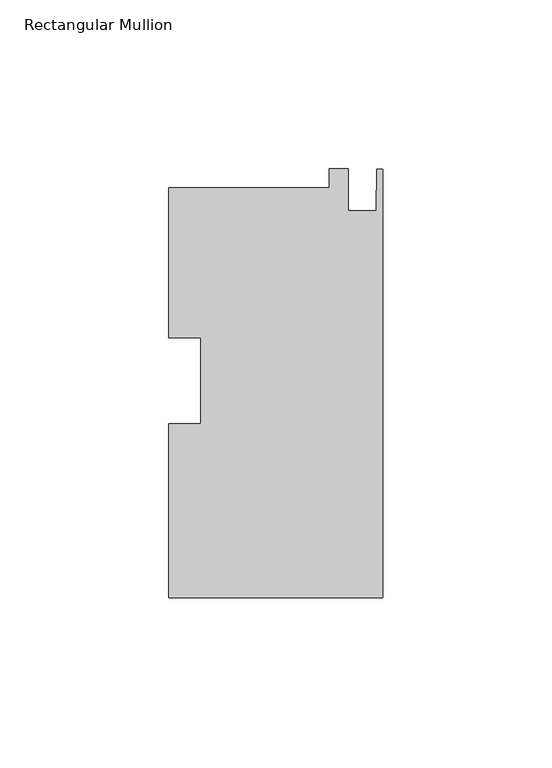
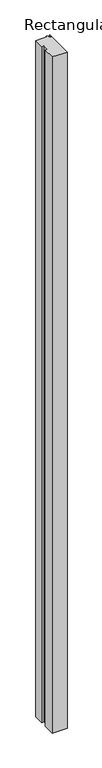
"""IFC4 building model written with IfcOpenShell, lengths in millimetres: member geometry, Rectangular Mullion."""

import ifcopenshell
import ifcopenshell.guid

model = None  # the IFC model being written
_history = None  # IfcOwnerHistory: only IFC2X3 demands one
_inside = {}  # id of a spatial element -> (the spatial element, [elements in it])
_under = {}  # id of a project, library or spatial element -> (it, [spatial elements below it])
_declared = {}  # id of a project -> (the project, [libraries it declares])
_typed = {}  # id of a type object -> (the type object, [elements of that type])
_made_of = {}  # id of a material, layer set ... -> (it, [elements and type objects made of it])


def new_model(schema):
    """Start an empty IFC model of exactly this schema.

    Asked for "IFC4X3", IfcOpenShell would pick the latest addendum, in which some entities
    have other attributes; the version numbers below select the first issue.
    IFC2X3 requires an IfcOwnerHistory on every rooted entity: one is made here for all.
    """
    global model, _history
    if schema == "IFC4X3":
        model = ifcopenshell.file(schema_version=(4, 3, 0, 0))
    else:
        model = ifcopenshell.file(schema=schema)
    _inside.clear()
    _under.clear()
    _declared.clear()
    _typed.clear()
    _made_of.clear()
    _history = None
    if model.schema == "IFC2X3":
        org = make("IfcOrganization", Name="unknown")
        user = make(
            "IfcPersonAndOrganization",
            ThePerson=make("IfcPerson", FamilyName="unknown"),
            TheOrganization=org,
        )
        app = make(
            "IfcApplication",
            ApplicationDeveloper=org,
            Version="unknown",
            ApplicationFullName="unknown",
            ApplicationIdentifier="unknown",
        )
        _history = make(
            "IfcOwnerHistory",
            OwningUser=user,
            OwningApplication=app,
            ChangeAction="ADDED",
            CreationDate=0,
        )
    return model


def make(cls, **values):
    """One entity of the class cls with the attributes given. An attribute that is None is left unset."""
    return model.create_entity(
        cls, **{name: value for name, value in values.items() if value is not None}
    )


def rooted(cls, **values):
    """An entity with a GlobalId (a new one), such as an element, a storey or a relation."""
    return make(cls, GlobalId=ifcopenshell.guid.new(), OwnerHistory=_history, **values)


def si_unit(unit_type, name, prefix=None):
    """IfcSIUnit, for example si_unit("LENGTHUNIT", "METRE", prefix="MILLI")."""
    return make("IfcSIUnit", UnitType=unit_type, Prefix=prefix, Name=name)


def assignment(units):
    """IfcUnitAssignment: the units of a project."""
    return None if units is None else make("IfcUnitAssignment", Units=units)


def point(xyz):
    """IfcCartesianPoint."""
    return None if xyz is None else make("IfcCartesianPoint", Coordinates=xyz)


def direction(xyz):
    """IfcDirection."""
    return None if xyz is None else make("IfcDirection", DirectionRatios=xyz)


def frame(location, z_axis=None, x_axis=None):
    """IfcAxis2Placement3D, a coordinate frame: its origin and axes. An axis left out is left unset."""
    return make(
        "IfcAxis2Placement3D",
        Location=point(location),
        Axis=direction(z_axis),
        RefDirection=direction(x_axis),
    )


def origin():
    """The frame at (0, 0, 0) with its axes left unset."""
    return frame((0.0, 0.0, 0.0))


def place(relative_to, where):
    """IfcLocalPlacement: puts the frame where relative to a parent placement (None: the world)."""
    return make(
        "IfcLocalPlacement", PlacementRelTo=relative_to, RelativePlacement=where
    )


def context(
    kind, dimensions, precision=None, world=None, true_north=None, identifier=None
):
    """IfcGeometricRepresentationContext, for example the 3D "Model" context."""
    return make(
        "IfcGeometricRepresentationContext",
        ContextIdentifier=identifier,
        ContextType=kind,
        CoordinateSpaceDimension=dimensions,
        Precision=precision,
        WorldCoordinateSystem=world,
        TrueNorth=true_north,
    )


def project(units=None, contexts=None):
    """IfcProject with its units and contexts."""
    return rooted(
        "IfcProject",
        Name="project",
        RepresentationContexts=contexts,
        UnitsInContext=assignment(units),
    )


def spatial(cls, under=None, at=None, **own):
    """A site, building, storey or space (cls), placed at a placement, below another one or the project."""
    s = rooted(cls, ObjectPlacement=at, **own)
    if under is not None:
        _under.setdefault(under.id(), (under, []))[1].append(s)
    return s


def polyline(points):
    """IfcPolyline through the points."""
    return make("IfcPolyline", Points=[point(p) for p in points])


def outline(outer, holes=None, kind="AREA"):
    """IfcArbitraryClosedProfileDef: a profile drawn as a closed curve; with holes, ...WithVoids."""
    if holes is None:
        return make("IfcArbitraryClosedProfileDef", ProfileType=kind, OuterCurve=outer)
    return make(
        "IfcArbitraryProfileDefWithVoids",
        ProfileType=kind,
        OuterCurve=outer,
        InnerCurves=holes,
    )


def extrude(swept, where, along, depth):
    """IfcExtrudedAreaSolid: the profile swept, set in the frame where, extruded along a direction by depth."""
    return make(
        "IfcExtrudedAreaSolid",
        SweptArea=swept,
        Position=where,
        ExtrudedDirection=direction(along),
        Depth=depth,
    )


def shape(context_of_items, identifier, shape_type, items):
    """IfcShapeRepresentation: the items that make up one representation, for example the "Body"."""
    return make(
        "IfcShapeRepresentation",
        ContextOfItems=context_of_items,
        RepresentationIdentifier=identifier,
        RepresentationType=shape_type,
        Items=items,
    )


def source(mapping_origin, context_of_items, identifier, shape_type, items):
    """IfcRepresentationMap: a shape defined once, which mapped items show again and again."""
    return make(
        "IfcRepresentationMap",
        MappingOrigin=mapping_origin,
        MappedRepresentation=shape(context_of_items, identifier, shape_type, items),
    )


def transform(
    local_origin,
    x_axis=None,
    y_axis=None,
    z_axis=None,
    scale=None,
    scale2=None,
    scale3=None,
    uniform=True,
):
    """IfcCartesianTransformationOperator3D, or its non-uniform kind. x_axis, y_axis, z_axis: its Axis1, 2, 3."""
    if uniform:
        return make(
            "IfcCartesianTransformationOperator3D",
            Axis1=direction(x_axis),
            Axis2=direction(y_axis),
            LocalOrigin=point(local_origin),
            Scale=scale,
            Axis3=direction(z_axis),
        )
    return make(
        "IfcCartesianTransformationOperator3DnonUniform",
        Axis1=direction(x_axis),
        Axis2=direction(y_axis),
        LocalOrigin=point(local_origin),
        Scale=scale,
        Axis3=direction(z_axis),
        Scale2=scale2,
        Scale3=scale3,
    )


def mapped(mapping_source, mapping_target):
    """IfcMappedItem: shows the shape of a source again, moved by a transform."""
    return make(
        "IfcMappedItem", MappingSource=mapping_source, MappingTarget=mapping_target
    )


def made_of(thing, what):
    """Note that an element or type object is made of a material, layer set ...; save() writes the relation."""
    if what is not None:
        _made_of.setdefault(what.id(), (what, []))[1].append(thing)
    return thing


def element(
    cls,
    number,
    at=None,
    inside=None,
    cuts=None,
    type_object=None,
    material=None,
    context=None,
    identifier="Body",
    shape_type=None,
    held_by="IfcProductDefinitionShape",
    body=None,
    shapes=None,
    **own,
):
    """One element of the class cls, such as IfcWall. Its Tag is "e" and its number.

    at: its placement. inside: the storey or other place that contains it. cuts: it is an
    opening in that element (IfcRelVoidsElement). A single representation is given by context,
    identifier, shape_type and body (its items); several are given by shapes. held_by: the class
    of the entity that holds the representations. save() writes the other relations.
    """
    e = rooted(cls, Tag="e%d" % number, ObjectPlacement=at, **own)
    if body is not None:
        shapes = [shape(context, identifier, shape_type, body)]
    if shapes is not None:
        e.Representation = make(held_by, Representations=shapes)
    if inside is not None:
        _inside.setdefault(inside.id(), (inside, []))[1].append(e)
    if cuts is not None:
        rooted(
            "IfcRelVoidsElement", RelatingBuildingElement=cuts, RelatedOpeningElement=e
        )
    if type_object is not None:
        _typed.setdefault(type_object.id(), (type_object, []))[1].append(e)
    return made_of(e, material)


def aggregate(whole, parts):
    """IfcRelAggregates: a whole, such as a stair, and the parts it consists of."""
    return rooted("IfcRelAggregates", RelatingObject=whole, RelatedObjects=parts)


def save(model, path):
    """Write the relations noted so far, then the file.

    IfcRelAggregates (storeys below a building ...), IfcRelContainedInSpatialStructure (elements
    in a storey), IfcRelDefinesByType, IfcRelAssociatesMaterial and IfcRelDeclares: one each for
    every whole, place, type object, material and project.
    """
    for whole, parts in _under.values():
        aggregate(whole, parts)
    for where, things in _inside.values():
        rooted(
            "IfcRelContainedInSpatialStructure",
            RelatedElements=things,
            RelatingStructure=where,
        )
    for kind, things in _typed.values():
        rooted("IfcRelDefinesByType", RelatedObjects=things, RelatingType=kind)
    for what, things in _made_of.values():
        rooted("IfcRelAssociatesMaterial", RelatedObjects=things, RelatingMaterial=what)
    for by, libraries in _declared.values():
        rooted("IfcRelDeclares", RelatingContext=by, RelatedDefinitions=libraries)
    model.write(path)


def rectangular_mullion_1e76039f(model_context):
    return source(origin(), model_context, "Body", "SweptSolid", [
        extrude(outline(polyline([(-63.5, -64.34957), (-63.5, -12.8452775), (-53.975, -12.8452775), (-53.975, 12.6705892), (-63.5, 12.6705892), (-63.5, 57.08783), (-15.875, 57.08783), (-15.875, 62.7963394), (-10.3124, 62.7963394), (-10.3124, 50.30603), (-2.032, 50.30603), (-1.778, 62.65043), (0.0, 62.65043), (0.0, -64.34957), (-63.5, -64.34957)])), frame((0.0, 0.0, -3048.0), z_axis=(0.0, 0.0, 1.0), x_axis=(1.0, 0.0, 0.0)), (0.0, 0.0, 1.0), 3048.0),
    ])


if __name__ == "__main__":
    model = new_model("IFC4")
    model_context = context("Model", 3, world=origin())
    ifc_project = project(units=[si_unit("LENGTHUNIT", "METRE", prefix="MILLI")], contexts=[model_context])
    site = spatial("IfcSite", under=ifc_project)
    building = spatial("IfcBuilding", under=site)
    placement = place(None, origin())
    rectangular_mullion_shape = rectangular_mullion_1e76039f(model_context)
    element("IfcMember", 1, ObjectType="Rectangular Mullion", at=placement, inside=building, context=model_context, shape_type="MappedRepresentation", body=[
        mapped(rectangular_mullion_shape, transform((0.0, 0.0, 0.0), x_axis=(1.0, 0.0, 0.0), y_axis=(0.0, 1.0, 0.0), z_axis=(0.0, 0.0, 1.0))),
    ])
    save(model, "model.ifc")
